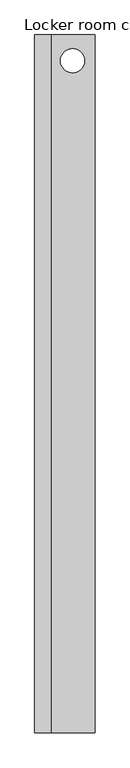
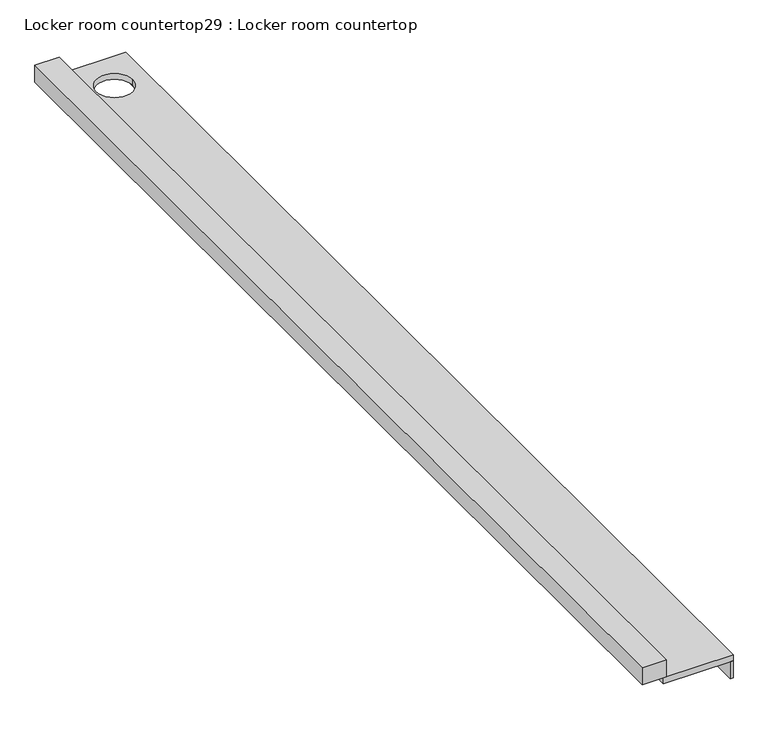
"""IFC4 building model written with IfcOpenShell, lengths in millimetres: furniture geometry, Locker room countertop29 : Locker room countertop."""

import ifcopenshell
import ifcopenshell.guid

model = None  # the IFC model being written
_history = None  # IfcOwnerHistory: only IFC2X3 demands one
_inside = {}  # id of a spatial element -> (the spatial element, [elements in it])
_under = {}  # id of a project, library or spatial element -> (it, [spatial elements below it])
_declared = {}  # id of a project -> (the project, [libraries it declares])
_typed = {}  # id of a type object -> (the type object, [elements of that type])
_made_of = {}  # id of a material, layer set ... -> (it, [elements and type objects made of it])


def new_model(schema):
    """Start an empty IFC model of exactly this schema.

    Asked for "IFC4X3", IfcOpenShell would pick the latest addendum, in which some entities
    have other attributes; the version numbers below select the first issue.
    IFC2X3 requires an IfcOwnerHistory on every rooted entity: one is made here for all.
    """
    global model, _history
    if schema == "IFC4X3":
        model = ifcopenshell.file(schema_version=(4, 3, 0, 0))
    else:
        model = ifcopenshell.file(schema=schema)
    _inside.clear()
    _under.clear()
    _declared.clear()
    _typed.clear()
    _made_of.clear()
    _history = None
    if model.schema == "IFC2X3":
        org = make("IfcOrganization", Name="unknown")
        user = make(
            "IfcPersonAndOrganization",
            ThePerson=make("IfcPerson", FamilyName="unknown"),
            TheOrganization=org,
        )
        app = make(
            "IfcApplication",
            ApplicationDeveloper=org,
            Version="unknown",
            ApplicationFullName="unknown",
            ApplicationIdentifier="unknown",
        )
        _history = make(
            "IfcOwnerHistory",
            OwningUser=user,
            OwningApplication=app,
            ChangeAction="ADDED",
            CreationDate=0,
        )
    return model


def make(cls, **values):
    """One entity of the class cls with the attributes given. An attribute that is None is left unset."""
    return model.create_entity(
        cls, **{name: value for name, value in values.items() if value is not None}
    )


def rooted(cls, **values):
    """An entity with a GlobalId (a new one), such as an element, a storey or a relation."""
    return make(cls, GlobalId=ifcopenshell.guid.new(), OwnerHistory=_history, **values)


def si_unit(unit_type, name, prefix=None):
    """IfcSIUnit, for example si_unit("LENGTHUNIT", "METRE", prefix="MILLI")."""
    return make("IfcSIUnit", UnitType=unit_type, Prefix=prefix, Name=name)


def assignment(units):
    """IfcUnitAssignment: the units of a project."""
    return None if units is None else make("IfcUnitAssignment", Units=units)


def point(xyz):
    """IfcCartesianPoint."""
    return None if xyz is None else make("IfcCartesianPoint", Coordinates=xyz)


def direction(xyz):
    """IfcDirection."""
    return None if xyz is None else make("IfcDirection", DirectionRatios=xyz)


def frame(location, z_axis=None, x_axis=None):
    """IfcAxis2Placement3D, a coordinate frame: its origin and axes. An axis left out is left unset."""
    return make(
        "IfcAxis2Placement3D",
        Location=point(location),
        Axis=direction(z_axis),
        RefDirection=direction(x_axis),
    )


def frame_2d(location, x_axis=None):
    """IfcAxis2Placement2D, a coordinate frame in the plane: its origin and x axis."""
    return make(
        "IfcAxis2Placement2D", Location=point(location), RefDirection=direction(x_axis)
    )


def origin():
    """The frame at (0, 0, 0) with its axes left unset."""
    return frame((0.0, 0.0, 0.0))


def place(relative_to, where):
    """IfcLocalPlacement: puts the frame where relative to a parent placement (None: the world)."""
    return make(
        "IfcLocalPlacement", PlacementRelTo=relative_to, RelativePlacement=where
    )


def context(
    kind, dimensions, precision=None, world=None, true_north=None, identifier=None
):
    """IfcGeometricRepresentationContext, for example the 3D "Model" context."""
    return make(
        "IfcGeometricRepresentationContext",
        ContextIdentifier=identifier,
        ContextType=kind,
        CoordinateSpaceDimension=dimensions,
        Precision=precision,
        WorldCoordinateSystem=world,
        TrueNorth=true_north,
    )


def project(units=None, contexts=None):
    """IfcProject with its units and contexts."""
    return rooted(
        "IfcProject",
        Name="project",
        RepresentationContexts=contexts,
        UnitsInContext=assignment(units),
    )


def spatial(cls, under=None, at=None, **own):
    """A site, building, storey or space (cls), placed at a placement, below another one or the project."""
    s = rooted(cls, ObjectPlacement=at, **own)
    if under is not None:
        _under.setdefault(under.id(), (under, []))[1].append(s)
    return s


def polyline(points):
    """IfcPolyline through the points."""
    return make("IfcPolyline", Points=[point(p) for p in points])


def circle_curve(where, radius):
    """IfcCircle in the frame where."""
    return make("IfcCircle", Position=where, Radius=radius)


def trimmed(basis, trim1, trim2, sense, master):
    """IfcTrimmedCurve: the piece of a basis curve between two trims."""
    return make(
        "IfcTrimmedCurve",
        BasisCurve=basis,
        Trim1=trim1,
        Trim2=trim2,
        SenseAgreement=sense,
        MasterRepresentation=master,
    )


def segment(curve, same_sense, transition):
    """IfcCompositeCurveSegment."""
    return make(
        "IfcCompositeCurveSegment",
        Transition=transition,
        SameSense=same_sense,
        ParentCurve=curve,
    )


def composite_curve(segments, self_intersect=None):
    """IfcCompositeCurve: segments joined end to end."""
    return make("IfcCompositeCurve", Segments=segments, SelfIntersect=self_intersect)


def outline(outer, holes=None, kind="AREA"):
    """IfcArbitraryClosedProfileDef: a profile drawn as a closed curve; with holes, ...WithVoids."""
    if holes is None:
        return make("IfcArbitraryClosedProfileDef", ProfileType=kind, OuterCurve=outer)
    return make(
        "IfcArbitraryProfileDefWithVoids",
        ProfileType=kind,
        OuterCurve=outer,
        InnerCurves=holes,
    )


def extrude(swept, where, along, depth):
    """IfcExtrudedAreaSolid: the profile swept, set in the frame where, extruded along a direction by depth."""
    return make(
        "IfcExtrudedAreaSolid",
        SweptArea=swept,
        Position=where,
        ExtrudedDirection=direction(along),
        Depth=depth,
    )


def shape(context_of_items, identifier, shape_type, items):
    """IfcShapeRepresentation: the items that make up one representation, for example the "Body"."""
    return make(
        "IfcShapeRepresentation",
        ContextOfItems=context_of_items,
        RepresentationIdentifier=identifier,
        RepresentationType=shape_type,
        Items=items,
    )


def source(mapping_origin, context_of_items, identifier, shape_type, items):
    """IfcRepresentationMap: a shape defined once, which mapped items show again and again."""
    return make(
        "IfcRepresentationMap",
        MappingOrigin=mapping_origin,
        MappedRepresentation=shape(context_of_items, identifier, shape_type, items),
    )


def transform(
    local_origin,
    x_axis=None,
    y_axis=None,
    z_axis=None,
    scale=None,
    scale2=None,
    scale3=None,
    uniform=True,
):
    """IfcCartesianTransformationOperator3D, or its non-uniform kind. x_axis, y_axis, z_axis: its Axis1, 2, 3."""
    if uniform:
        return make(
            "IfcCartesianTransformationOperator3D",
            Axis1=direction(x_axis),
            Axis2=direction(y_axis),
            LocalOrigin=point(local_origin),
            Scale=scale,
            Axis3=direction(z_axis),
        )
    return make(
        "IfcCartesianTransformationOperator3DnonUniform",
        Axis1=direction(x_axis),
        Axis2=direction(y_axis),
        LocalOrigin=point(local_origin),
        Scale=scale,
        Axis3=direction(z_axis),
        Scale2=scale2,
        Scale3=scale3,
    )


def mapped(mapping_source, mapping_target):
    """IfcMappedItem: shows the shape of a source again, moved by a transform."""
    return make(
        "IfcMappedItem", MappingSource=mapping_source, MappingTarget=mapping_target
    )


def made_of(thing, what):
    """Note that an element or type object is made of a material, layer set ...; save() writes the relation."""
    if what is not None:
        _made_of.setdefault(what.id(), (what, []))[1].append(thing)
    return thing


def element(
    cls,
    number,
    at=None,
    inside=None,
    cuts=None,
    type_object=None,
    material=None,
    context=None,
    identifier="Body",
    shape_type=None,
    held_by="IfcProductDefinitionShape",
    body=None,
    shapes=None,
    **own,
):
    """One element of the class cls, such as IfcWall. Its Tag is "e" and its number.

    at: its placement. inside: the storey or other place that contains it. cuts: it is an
    opening in that element (IfcRelVoidsElement). A single representation is given by context,
    identifier, shape_type and body (its items); several are given by shapes. held_by: the class
    of the entity that holds the representations. save() writes the other relations.
    """
    e = rooted(cls, Tag="e%d" % number, ObjectPlacement=at, **own)
    if body is not None:
        shapes = [shape(context, identifier, shape_type, body)]
    if shapes is not None:
        e.Representation = make(held_by, Representations=shapes)
    if inside is not None:
        _inside.setdefault(inside.id(), (inside, []))[1].append(e)
    if cuts is not None:
        rooted(
            "IfcRelVoidsElement", RelatingBuildingElement=cuts, RelatedOpeningElement=e
        )
    if type_object is not None:
        _typed.setdefault(type_object.id(), (type_object, []))[1].append(e)
    return made_of(e, material)


def aggregate(whole, parts):
    """IfcRelAggregates: a whole, such as a stair, and the parts it consists of."""
    return rooted("IfcRelAggregates", RelatingObject=whole, RelatedObjects=parts)


def save(model, path):
    """Write the relations noted so far, then the file.

    IfcRelAggregates (storeys below a building ...), IfcRelContainedInSpatialStructure (elements
    in a storey), IfcRelDefinesByType, IfcRelAssociatesMaterial and IfcRelDeclares: one each for
    every whole, place, type object, material and project.
    """
    for whole, parts in _under.values():
        aggregate(whole, parts)
    for where, things in _inside.values():
        rooted(
            "IfcRelContainedInSpatialStructure",
            RelatedElements=things,
            RelatingStructure=where,
        )
    for kind, things in _typed.values():
        rooted("IfcRelDefinesByType", RelatedObjects=things, RelatingType=kind)
    for what, things in _made_of.values():
        rooted("IfcRelAssociatesMaterial", RelatedObjects=things, RelatingMaterial=what)
    for by, libraries in _declared.values():
        rooted("IfcRelDeclares", RelatingContext=by, RelatedDefinitions=libraries)
    model.write(path)


def locker_room_countertop29_locker_room_countertop_e8bed140(model_context):
    return source(origin(), model_context, "Body", "SweptSolid", [
        extrude(outline(polyline([(461633.6754676, -193625.0080223), (461608.2754676, -193625.0080223), (461608.2754676, -184819.1455223), (461633.6754676, -184819.1455223), (461633.6754676, -193625.0080223)])), frame((0.0, 0.0, 660.4), z_axis=(0.0, 0.0, 1.0), x_axis=(1.0, 0.0, 0.0)), (0.0, 0.0, 1.0), 152.4),
        extrude(outline(polyline([(461074.8754676, -184819.1455223), (461074.8754676, -193625.0080223), (460871.6754676, -193625.0080223), (460871.6754676, -184819.1455223), (461074.8754676, -184819.1455223)])), frame((0.0, 0.0, 863.6), z_axis=(0.0, 0.0, 1.0), x_axis=(1.0, 0.0, 0.0)), (0.0, 0.0, 1.0), 152.4),
        extrude(outline(polyline([(461633.6754676, -184819.1455223), (461633.6754676, -193625.0080223), (461049.4754676, -193625.0080223), (461049.4754676, -184819.1455223), (461633.6754676, -184819.1455223)]), holes=[composite_curve([segment(trimmed(circle_curve(frame_2d((461349.424105, -185145.253905)), 152.4), [point((461197.024105, -185145.253905))], [point((461501.824105, -185145.253905))], True, "CARTESIAN"), True, "CONTINUOUS"), segment(trimmed(circle_curve(frame_2d((461349.424105, -185145.253905)), 152.4), [point((461501.824105, -185145.253905))], [point((461197.024105, -185145.253905))], True, "CARTESIAN"), True, "CONTINUOUS")], self_intersect=False)]), frame((0.0, 0.0, 812.8), z_axis=(0.0, 0.0, 1.0), x_axis=(1.0, 0.0, 0.0)), (0.0, 0.0, 1.0), 50.8),
    ])


if __name__ == "__main__":
    model = new_model("IFC4")
    model_context = context("Model", 3, world=origin())
    ifc_project = project(units=[si_unit("LENGTHUNIT", "METRE", prefix="MILLI")], contexts=[model_context])
    site = spatial("IfcSite", under=ifc_project)
    building = spatial("IfcBuilding", under=site)
    placement = place(None, origin())
    locker_room_countertop29_locker_room_countertop_shape = locker_room_countertop29_locker_room_countertop_e8bed140(model_context)
    element("IfcFurniture", 1, ObjectType="Locker room countertop29 : Locker room countertop", at=placement, inside=building, context=model_context, shape_type="MappedRepresentation", body=[
        mapped(locker_room_countertop29_locker_room_countertop_shape, transform((0.0, 0.0, 0.0), x_axis=(1.0, 0.0, 0.0), y_axis=(0.0, 1.0, 0.0), z_axis=(0.0, 0.0, 1.0))),
    ])
    save(model, "model.ifc")
